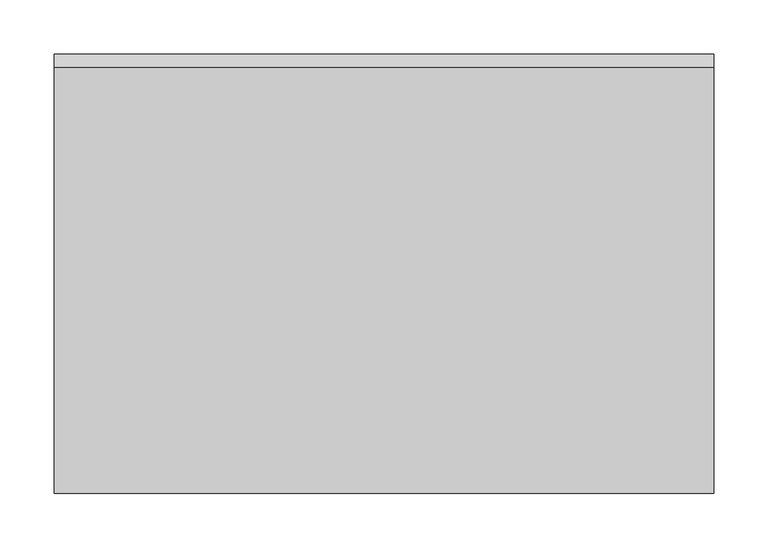
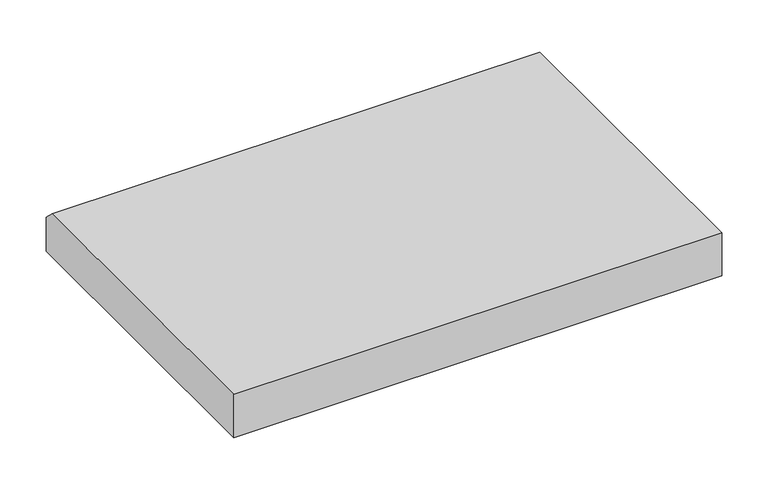
"""IFC4 building model written with IfcOpenShell, lengths in millimetres: proxy geometry."""

from ifc_helpers import new_model, si_unit, frame, origin, place, context, project, spatial, polyline, outline, extrude, source, transform, mapped, element, save


def generic_models_9c19395b(model_context):
    return source(origin(), model_context, "Body", "SweptSolid", [
        extrude(outline(polyline([(406.4, 0.0), (0.0, 0.0), (0.0, 57.15), (393.7, 57.15), (406.4, 44.45), (406.4, 0.0)])), frame((0.0, 0.0, 0.0), z_axis=(1.0, 0.0, 0.0), x_axis=(0.0, 1.0, 0.0)), (0.0, 0.0, 1.0), 609.6),
    ])


if __name__ == "__main__":
    model = new_model("IFC4")
    model_context = context("Model", 3, world=origin())
    ifc_project = project(units=[si_unit("LENGTHUNIT", "METRE", prefix="MILLI")], contexts=[model_context])
    site = spatial("IfcSite", under=ifc_project)
    building = spatial("IfcBuilding", under=site)
    placement = place(None, origin())
    generic_models_shape = generic_models_9c19395b(model_context)
    element("IfcBuildingElementProxy", 1, Name="Generic Models", at=placement, inside=building, context=model_context, shape_type="MappedRepresentation", body=[
        mapped(generic_models_shape, transform((0.0, 0.0, 0.0), x_axis=(1.0, 0.0, 0.0), y_axis=(0.0, 1.0, 0.0), z_axis=(0.0, 0.0, 1.0))),
    ])
    save(model, "model.ifc")
